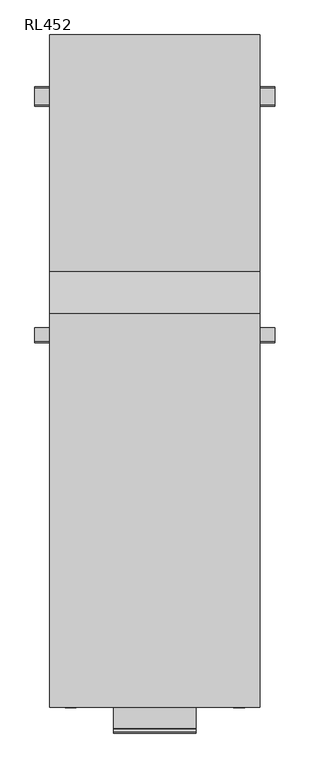
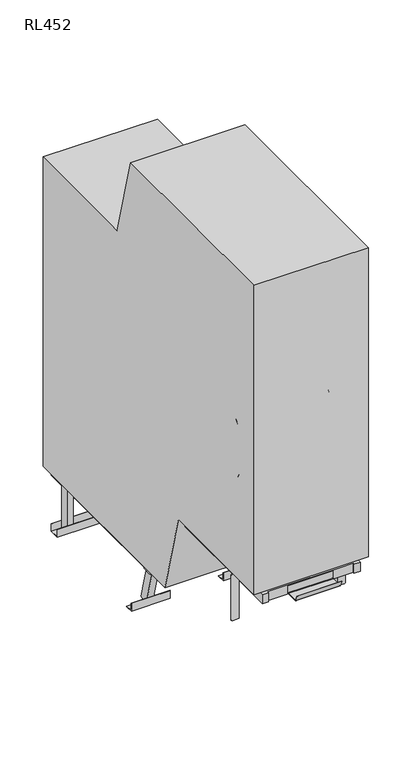
"""IFC4 building model written with IfcOpenShell, lengths in millimetres: proxy geometry, RL452."""

from ifc_helpers import new_model, si_unit, point, frame, frame_2d, origin, origin_with_axes, place, context, project, spatial, polyline, circle_curve, ellipse_curve, trimmed, segment, composite_curve, outline, extrude, source, transform, mapped, element, save
from ifc_brep_helpers import plane_surface, cylinder_surface, revolved_surface, advanced_brep


def rl452_90754e86(model_context):
    return source(origin(), model_context, "Body", "SolidModel", [
        extrude(outline(composite_curve([segment(polyline([(-507.6736901, 535.2345277), (-551.1403522, 523.5876706), (-555.540276, 540.0084097)]), True, "CONTINUOUS"), segment(trimmed(circle_curve(frame_2d((-530.4497633, 533.3026657)), 25.9711538), [point((-555.540276, 540.0084097))], [point((-512.0736138, 551.6552667))], False, "CARTESIAN"), True, "CONTINUOUS"), segment(polyline([(-512.0736138, 551.6552667), (-507.6736901, 535.2345277)]), True, "CONTINUOUS")], self_intersect=False)), frame((-262.5, 0.0, 0.0), z_axis=(1.0, 0.0, 0.0), x_axis=(0.0, 1.0, 0.0)), (0.0, 0.0, 1.0), 525.0),
        extrude(outline(composite_curve([segment(polyline([(-579.6478244, 803.8456537), (-623.1144866, 792.1987967), (-627.5144103, 808.6195357)]), True, "CONTINUOUS"), segment(trimmed(circle_curve(frame_2d((-602.4238976, 801.9137918)), 25.9711538), [point((-627.5144103, 808.6195357))], [point((-584.0477481, 820.2663928))], False, "CARTESIAN"), True, "CONTINUOUS"), segment(polyline([(-584.0477481, 820.2663928), (-579.6478244, 803.8456537)]), True, "CONTINUOUS")], self_intersect=False)), frame((-262.5, 0.0, 0.0), z_axis=(1.0, 0.0, 0.0), x_axis=(0.0, 1.0, 0.0)), (0.0, 0.0, 1.0), 525.0),
        extrude(outline(composite_curve([segment(polyline([(-435.6995558, 266.6234016), (-479.1662179, 254.9765446), (-483.5661417, 271.3972836)]), True, "CONTINUOUS"), segment(trimmed(circle_curve(frame_2d((-458.475629, 264.6915396)), 25.9711538), [point((-483.5661417, 271.3972836))], [point((-440.0994795, 283.0441407))], False, "CARTESIAN"), True, "CONTINUOUS"), segment(polyline([(-440.0994795, 283.0441407), (-435.6995558, 266.6234016)]), True, "CONTINUOUS")], self_intersect=False)), frame((-262.5, 0.0, 0.0), z_axis=(1.0, 0.0, 0.0), x_axis=(0.0, 1.0, 0.0)), (0.0, 0.0, 1.0), 525.0),
        extrude(outline(polyline([(-38.0, 0.0), (-38.0, 58.0), (0.0, 58.0), (0.0, 0.0), (-38.0, 0.0)])), frame((262.5, -362.3549036, 18.0115046), z_axis=(0.0, -0.2588190451025055, 0.9659258262890724), x_axis=(-1.0, 0.0, 0.0)), (0.0, 0.0, 1.0), 1895.2970461),
        extrude(outline(polyline([(-38.0, 0.0), (-38.0, 58.0), (0.0, 58.0), (0.0, 0.0), (-38.0, 0.0)])), frame((-300.5, -362.3549036, 18.0115046), z_axis=(0.0, -0.2588190451025055, 0.9659258262890724), x_axis=(-1.0, 0.0, 0.0)), (0.0, 0.0, 1.0), 1895.2970461),
        extrude(outline(polyline([(300.0, -1601.1457268), (300.0, -1619.6457268), (-300.0, -1619.6457268), (-300.0, -1601.1457268), (300.0, -1601.1457268)])), frame((0.0, 0.0, 808.5), z_axis=(0.0, 0.0, 1.0), x_axis=(1.0, 0.0, 0.0)), (0.0, 0.0, 1.0), 18.5),
        advanced_brep(
        [(281.5, -902.5038846, 1827.0), (281.5, -902.5038846, 1789.0), (281.5, -778.7113577, 1327.0), (281.5, -778.7113577, 1365.0), (281.5, -1287.6504133, 1789.0), (281.5, -1287.6504133, 1827.0), (281.5, -1431.6504133, 1683.0), (281.5, -1393.6504133, 1683.0), (281.5, -1393.6504133, 1471.0), (281.5, -1431.6504133, 1471.0), (281.5, -1287.6504133, 1327.0), (281.5, -1287.6504133, 1365.0)],
        [
            (0, 1, circle_curve(frame((281.5, -902.5038846, 1808.0), z_axis=(0.0, 1.0, 0.0), x_axis=(0.0, 0.0, -1.0)), 19.0)),
            (1, 0, circle_curve(frame((281.5, -902.5038846, 1808.0), z_axis=(0.0, 1.0, 0.0), x_axis=(0.0, 0.0, -1.0)), 19.0)),
            (2, 3, circle_curve(frame((281.5, -778.7113577, 1346.0), z_axis=(0.0, 1.0, 0.0), x_axis=(0.0, 0.0, 1.0)), 19.0)),
            (3, 2, circle_curve(frame((281.5, -778.7113577, 1346.0), z_axis=(0.0, 1.0, 0.0), x_axis=(0.0, 0.0, 1.0)), 19.0)),
            (1, 4),
            (4, 5, circle_curve(frame((281.5, -1287.6504133, 1808.0), z_axis=(0.0, 1.0, 0.0), x_axis=(0.0, 0.0, -1.0)), 19.0)),
            (5, 0),
            (5, 4, circle_curve(frame((281.5, -1287.6504133, 1808.0), z_axis=(0.0, 1.0, 0.0), x_axis=(0.0, 0.0, -1.0)), 19.0)),
            (6, 5, circle_curve(frame((281.5, -1287.6504133, 1683.0), z_axis=(-1.0, 0.0, 0.0), x_axis=(0.0, 0.0, 1.0)), 144.0)),
            (4, 7, circle_curve(frame((281.5, -1287.6504133, 1683.0), z_axis=(1.0, 0.0, 0.0), x_axis=(0.0, 0.0, 1.0)), 106.0)),
            (7, 6, circle_curve(frame((281.5, -1412.6504133, 1683.0), z_axis=(0.0, 0.0, 1.0), x_axis=(0.0, 1.0, 0.0)), 19.0)),
            (6, 7, circle_curve(frame((281.5, -1412.6504133, 1683.0), z_axis=(0.0, 0.0, 1.0), x_axis=(0.0, 1.0, 0.0)), 19.0)),
            (7, 8),
            (8, 9, circle_curve(frame((281.5, -1412.6504133, 1471.0), z_axis=(0.0, 0.0, 1.0), x_axis=(0.0, 1.0, 0.0)), 19.0)),
            (9, 6),
            (9, 8, circle_curve(frame((281.5, -1412.6504133, 1471.0), z_axis=(0.0, 0.0, 1.0), x_axis=(0.0, 1.0, 0.0)), 19.0)),
            (10, 9, circle_curve(frame((281.5, -1287.6504133, 1471.0), z_axis=(-1.0, 0.0, 0.0), x_axis=(0.0, -1.0, 0.0)), 144.0)),
            (8, 11, circle_curve(frame((281.5, -1287.6504133, 1471.0), z_axis=(1.0, 0.0, 0.0), x_axis=(0.0, -1.0, 0.0)), 106.0)),
            (11, 10, circle_curve(frame((281.5, -1287.6504133, 1346.0), z_axis=(0.0, -1.0, 0.0), x_axis=(0.0, 0.0, 1.0)), 19.0)),
            (10, 11, circle_curve(frame((281.5, -1287.6504133, 1346.0), z_axis=(0.0, -1.0, 0.0), x_axis=(0.0, 0.0, 1.0)), 19.0)),
            (11, 3),
            (2, 10),
        ],
        [
            plane_surface(frame((281.5, -902.5038846, 1808.0), z_axis=(0.0, 1.0, 0.0), x_axis=(1.0, 0.0, 0.0))),
            plane_surface(frame((281.5, -778.7113577, 1346.0), z_axis=(0.0, 1.0, 0.0), x_axis=(1.0, 0.0, 0.0))),
            cylinder_surface(frame((281.5, -902.5038846, 1808.0), z_axis=(0.0, 1.0, 0.0), x_axis=(0.0, 0.0, -1.0)), 19.0),
            revolved_surface(trimmed(ellipse_curve(frame((281.5, -1287.6504133, 1808.0), z_axis=(0.0, 1.0, 0.0), x_axis=(0.0, 0.0, -1.0)), 19.0, 19.0), [point((281.5, -1287.6504133, 1789.0))], [point((281.5, -1287.6504133, 1827.0))], True, "CARTESIAN"), (281.5, -1287.6504133, 1683.0), (1.0, 0.0, 0.0)),
            revolved_surface(trimmed(ellipse_curve(frame((281.5, -1287.6504133, 1808.0), z_axis=(0.0, 1.0, 0.0), x_axis=(0.0, 0.0, -1.0)), 19.0, 19.0), [point((281.5, -1287.6504133, 1827.0))], [point((281.5, -1287.6504133, 1789.0))], True, "CARTESIAN"), (281.5, -1287.6504133, 1683.0), (1.0, 0.0, 0.0)),
            cylinder_surface(frame((281.5, -1412.6504133, 1683.0), z_axis=(0.0, 0.0, 1.0), x_axis=(0.0, 1.0, 0.0)), 19.0),
            revolved_surface(trimmed(ellipse_curve(frame((281.5, -1412.6504133, 1471.0), z_axis=(0.0, 0.0, 1.0), x_axis=(0.0, 1.0, 0.0)), 19.0, 19.0), [point((281.5, -1393.6504133, 1471.0))], [point((281.5, -1431.6504133, 1471.0))], True, "CARTESIAN"), (281.5, -1287.6504133, 1471.0), (1.0, 0.0, 0.0)),
            revolved_surface(trimmed(ellipse_curve(frame((281.5, -1412.6504133, 1471.0), z_axis=(0.0, 0.0, 1.0), x_axis=(0.0, 1.0, 0.0)), 19.0, 19.0), [point((281.5, -1431.6504133, 1471.0))], [point((281.5, -1393.6504133, 1471.0))], True, "CARTESIAN"), (281.5, -1287.6504133, 1471.0), (1.0, 0.0, 0.0)),
            cylinder_surface(frame((281.5, -1287.6504133, 1346.0), z_axis=(0.0, -1.0, 0.0), x_axis=(0.0, 0.0, 1.0)), 19.0),
        ],
        [
            (0, [[1, 2]]),
            (1, [[3, 4]]),
            (2, [[-2, 5, 6, 7]]),
            (2, [[-1, -7, 8, -5]]),
            (3, [[9, -6, 10, 11]]),
            (4, [[-10, -8, -9, 12]]),
            (5, [[-11, 13, 14, 15]]),
            (5, [[-12, -15, 16, -13]]),
            (6, [[17, -14, 18, 19]]),
            (7, [[-18, -16, -17, 20]]),
            (8, [[-19, 21, -3, 22]]),
            (8, [[-20, -22, -4, -21]]),
        ],
    ),
        advanced_brep(
        [(-281.5, -902.0268938, 1789.0), (-281.5, -902.0268938, 1827.0), (-281.5, -1287.6504133, 1827.0), (-281.5, -1287.6504133, 1789.0), (-281.5, -1393.6504133, 1683.0), (-281.5, -1431.6504133, 1683.0), (-281.5, -1431.6504133, 1471.0), (-281.5, -1393.6504133, 1471.0), (-281.5, -1287.6504133, 1365.0), (-281.5, -1287.6504133, 1327.0), (-281.5, -778.2343669, 1365.0), (-281.5, -778.2343669, 1327.0)],
        [
            (0, 1, circle_curve(frame((-281.5, -902.0268938, 1808.0), z_axis=(0.0, 1.0, 0.0), x_axis=(0.0, 0.0, 1.0)), 19.0)),
            (1, 0, circle_curve(frame((-281.5, -902.0268938, 1808.0), z_axis=(0.0, 1.0, 0.0), x_axis=(0.0, 0.0, 1.0)), 19.0)),
            (1, 2),
            (2, 3, circle_curve(frame((-281.5, -1287.6504133, 1808.0), z_axis=(0.0, 1.0, 0.0), x_axis=(0.0, 0.0, 1.0)), 19.0)),
            (3, 0),
            (3, 2, circle_curve(frame((-281.5, -1287.6504133, 1808.0), z_axis=(0.0, 1.0, 0.0), x_axis=(0.0, 0.0, 1.0)), 19.0)),
            (4, 3, circle_curve(frame((-281.5, -1287.6504133, 1683.0), z_axis=(-1.0, 0.0, 0.0), x_axis=(0.0, 0.0, 1.0)), 106.0)),
            (2, 5, circle_curve(frame((-281.5, -1287.6504133, 1683.0), z_axis=(1.0, 0.0, 0.0), x_axis=(0.0, 0.0, 1.0)), 144.0)),
            (5, 4, circle_curve(frame((-281.5, -1412.6504133, 1683.0), z_axis=(0.0, 0.0, 1.0), x_axis=(0.0, -1.0, 0.0)), 19.0)),
            (4, 5, circle_curve(frame((-281.5, -1412.6504133, 1683.0), z_axis=(0.0, 0.0, 1.0), x_axis=(0.0, -1.0, 0.0)), 19.0)),
            (5, 6),
            (6, 7, circle_curve(frame((-281.5, -1412.6504133, 1471.0), z_axis=(0.0, 0.0, 1.0), x_axis=(0.0, -1.0, 0.0)), 19.0)),
            (7, 4),
            (7, 6, circle_curve(frame((-281.5, -1412.6504133, 1471.0), z_axis=(0.0, 0.0, 1.0), x_axis=(0.0, -1.0, 0.0)), 19.0)),
            (8, 7, circle_curve(frame((-281.5, -1287.6504133, 1471.0), z_axis=(-1.0, 0.0, 0.0), x_axis=(0.0, -1.0, 0.0)), 106.0)),
            (6, 9, circle_curve(frame((-281.5, -1287.6504133, 1471.0), z_axis=(1.0, 0.0, 0.0), x_axis=(0.0, -1.0, 0.0)), 144.0)),
            (9, 8, circle_curve(frame((-281.5, -1287.6504133, 1346.0), z_axis=(0.0, -1.0, 0.0), x_axis=(0.0, 0.0, -1.0)), 19.0)),
            (8, 9, circle_curve(frame((-281.5, -1287.6504133, 1346.0), z_axis=(0.0, -1.0, 0.0), x_axis=(0.0, 0.0, -1.0)), 19.0)),
            (10, 11, circle_curve(frame((-281.5, -778.2343669, 1346.0), z_axis=(0.0, 1.0, 0.0), x_axis=(0.0, 0.0, -1.0)), 19.0)),
            (11, 10, circle_curve(frame((-281.5, -778.2343669, 1346.0), z_axis=(0.0, 1.0, 0.0), x_axis=(0.0, 0.0, -1.0)), 19.0)),
            (9, 11),
            (10, 8),
        ],
        [
            plane_surface(frame((-281.5, -902.0268938, 1808.0), z_axis=(0.0, 1.0, 0.0), x_axis=(-1.0, 0.0, 0.0))),
            cylinder_surface(frame((-281.5, -902.0268938, 1808.0), z_axis=(0.0, 1.0, 0.0), x_axis=(0.0, 0.0, 1.0)), 19.0),
            revolved_surface(trimmed(ellipse_curve(frame((-281.5, -1287.6504133, 1808.0), z_axis=(0.0, 1.0, 0.0), x_axis=(0.0, 0.0, 1.0)), 19.0, 19.0), [point((-281.5, -1287.6504133, 1827.0))], [point((-281.5, -1287.6504133, 1789.0))], True, "CARTESIAN"), (-281.5, -1287.6504133, 1683.0), (1.0, 0.0, 0.0)),
            revolved_surface(trimmed(ellipse_curve(frame((-281.5, -1287.6504133, 1808.0), z_axis=(0.0, 1.0, 0.0), x_axis=(0.0, 0.0, 1.0)), 19.0, 19.0), [point((-281.5, -1287.6504133, 1789.0))], [point((-281.5, -1287.6504133, 1827.0))], True, "CARTESIAN"), (-281.5, -1287.6504133, 1683.0), (1.0, 0.0, 0.0)),
            cylinder_surface(frame((-281.5, -1412.6504133, 1683.0), z_axis=(0.0, 0.0, 1.0), x_axis=(0.0, -1.0, 0.0)), 19.0),
            revolved_surface(trimmed(ellipse_curve(frame((-281.5, -1412.6504133, 1471.0), z_axis=(0.0, 0.0, 1.0), x_axis=(0.0, -1.0, 0.0)), 19.0, 19.0), [point((-281.5, -1431.6504133, 1471.0))], [point((-281.5, -1393.6504133, 1471.0))], True, "CARTESIAN"), (-281.5, -1287.6504133, 1471.0), (1.0, 0.0, 0.0)),
            revolved_surface(trimmed(ellipse_curve(frame((-281.5, -1412.6504133, 1471.0), z_axis=(0.0, 0.0, 1.0), x_axis=(0.0, -1.0, 0.0)), 19.0, 19.0), [point((-281.5, -1393.6504133, 1471.0))], [point((-281.5, -1431.6504133, 1471.0))], True, "CARTESIAN"), (-281.5, -1287.6504133, 1471.0), (1.0, 0.0, 0.0)),
            plane_surface(frame((-281.5, -778.2343669, 1346.0), z_axis=(0.0, 1.0, 0.0), x_axis=(-1.0, 0.0, 0.0))),
            cylinder_surface(frame((-281.5, -1287.6504133, 1346.0), z_axis=(0.0, -1.0, 0.0), x_axis=(0.0, 0.0, -1.0)), 19.0),
        ],
        [
            (0, [[1, 2]]),
            (1, [[-2, 3, 4, 5]]),
            (1, [[-1, -5, 6, -3]]),
            (2, [[7, -4, 8, 9]]),
            (3, [[-8, -6, -7, 10]]),
            (4, [[-9, 11, 12, 13]]),
            (4, [[-10, -13, 14, -11]]),
            (5, [[15, -12, 16, 17]]),
            (6, [[-16, -14, -15, 18]]),
            (7, [[19, 20]]),
            (8, [[-17, 21, -19, 22]]),
            (8, [[-18, -22, -20, -21]]),
        ],
    ),
        extrude(outline(polyline([(414.8542732, 50.0), (417.8542732, 50.0), (417.8542732, 0.0), (352.8542732, 0.0), (352.8542732, 50.0), (355.8542732, 50.0), (355.8542732, 3.0), (414.8542732, 3.0), (414.8542732, 50.0)])), frame((-400.5, 0.0, 0.0), z_axis=(1.0, 0.0, 0.0), x_axis=(0.0, 1.0, 0.0)), (0.0, 0.0, 1.0), 801.0),
        extrude(outline(polyline([(-383.9722135, 3.0), (-383.9722135, 0.0), (-433.9722135, 0.0), (-433.9722135, 50.0), (-430.9722135, 50.0), (-430.9722135, 3.0), (-383.9722135, 3.0)])), frame((162.5, 0.0, 0.0), z_axis=(1.0, 0.0, 0.0), x_axis=(0.0, 1.0, 0.0)), (0.0, 0.0, 1.0), 238.0),
        extrude(outline(polyline([(-383.9722135, 3.0), (-383.9722135, 0.0), (-433.9722135, 0.0), (-433.9722135, 50.0), (-430.9722135, 50.0), (-430.9722135, 3.0), (-383.9722135, 3.0)])), frame((-400.5, 0.0, 0.0), z_axis=(1.0, 0.0, 0.0), x_axis=(0.0, 1.0, 0.0)), (0.0, 0.0, 1.0), 238.0),
        extrude(outline(polyline([(-262.0, -639.6457268), (-262.0, -1601.6457268), (262.0, -1601.6457268), (262.0, -639.6457268), (300.0, -639.6457268), (300.0, -1649.6457268), (262.0, -1649.6457268), (262.0, -1639.6457268), (-262.0, -1639.6457268), (-262.0, -1649.6457268), (-300.0, -1649.6457268), (-300.0, -639.6457268), (-262.0, -639.6457268)])), frame((0.0, 0.0, 751.2375855), z_axis=(0.0, 0.0, 1.0), x_axis=(1.0, 0.0, 0.0)), (0.0, 0.0, 1.0), 57.2624145),
        extrude(outline(polyline([(300.0, -719.6457268), (300.0, -1601.1457268), (-300.0, -1601.1457268), (-300.0, -719.6457268), (300.0, -719.6457268)])), frame((0.0, 0.0, 808.5), z_axis=(0.0, 0.0, 1.0), x_axis=(1.0, 0.0, 0.0)), (0.0, 0.0, 1.0), 18.5),
        extrude(outline(polyline([(250.0, -496.6457268), (250.0, -514.6457268), (-250.0, -514.6457268), (-250.0, -496.6457268), (250.0, -496.6457268)])), frame((0.0, 0.0, 281.5), z_axis=(0.0, 0.0, 1.0), x_axis=(1.0, 0.0, 0.0)), (0.0, 0.0, 1.0), 18.5),
        extrude(outline(polyline([(300.5, -305.3957268), (300.5, -323.8957268), (-300.5, -323.8957268), (-300.5, -305.3957268), (300.5, -305.3957268)])), frame((0.0, 0.0, 281.5), z_axis=(0.0, 0.0, 1.0), x_axis=(1.0, 0.0, 0.0)), (0.0, 0.0, 1.0), 18.5),
        extrude(outline(polyline([(250.0, -323.8957268), (250.0, -496.6457268), (-250.0, -496.6457268), (-250.0, -323.8957268), (250.0, -323.8957268)])), frame((0.0, 0.0, 281.5), z_axis=(0.0, 0.0, 1.0), x_axis=(1.0, 0.0, 0.0)), (0.0, 0.0, 1.0), 18.5),
        extrude(outline(polyline([(-262.5, -414.6457268), (-300.5, -414.6457268), (-300.5, 590.3542732), (-262.5, 590.3542732), (-262.5, -414.6457268)])), frame((0.0, 0.0, 223.5), z_axis=(0.0, 0.0, 1.0), x_axis=(1.0, 0.0, 0.0)), (0.0, 0.0, 1.0), 58.0),
        extrude(outline(polyline([(300.5, -414.6457268), (262.5, -414.6457268), (262.5, 590.3542732), (300.5, 590.3542732), (300.5, -414.6457268)])), frame((0.0, 0.0, 223.5), z_axis=(0.0, 0.0, 1.0), x_axis=(1.0, 0.0, 0.0)), (0.0, 0.0, 1.0), 58.0),
        extrude(outline(polyline([(338.5, 414.3542732), (338.5, 356.3542732), (300.5, 356.3542732), (300.5, 414.3542732), (338.5, 414.3542732)])), origin_with_axes(), (0.0, 0.0, 1.0), 293.0),
        extrude(outline(polyline([(-300.5, 414.3542732), (-300.5, 356.3542732), (-338.5, 356.3542732), (-338.5, 414.3542732), (-300.5, 414.3542732)])), origin_with_axes(), (0.0, 0.0, 1.0), 293.0),
        extrude(outline(polyline([(300.5, 590.3542732), (300.5, 571.8542732), (-300.5, 571.8542732), (-300.5, 590.3542732), (300.5, 590.3542732)])), frame((0.0, 0.0, 281.5), z_axis=(0.0, 0.0, 1.0), x_axis=(1.0, 0.0, 0.0)), (0.0, 0.0, 1.0), 18.5),
        extrude(outline(polyline([(300.5, 571.8542732), (300.5, -305.3957268), (-300.5, -305.3957268), (-300.5, 571.8542732), (300.5, 571.8542732)])), frame((0.0, 0.0, 281.5), z_axis=(0.0, 0.0, 1.0), x_axis=(1.0, 0.0, 0.0)), (0.0, 0.0, 1.0), 18.5),
        extrude(outline(composite_curve([segment(trimmed(circle_curve(frame_2d((-412.4420074, 233.5)), 6.0), [point((-406.4420074, 233.5))], [point((-412.4420074, 227.5))], False, "CARTESIAN"), True, "CONTINUOUS"), segment(polyline([(-412.4420074, 227.5), (-461.4955973, 227.5)]), True, "CONTINUOUS"), segment(trimmed(circle_curve(frame_2d((-461.4955973, 252.5)), 25.0), [point((-461.4955973, 227.5))], [point((-461.4955973, 277.5))], False, "CARTESIAN"), True, "CONTINUOUS"), segment(polyline([(-461.4955973, 277.5), (-412.4420074, 277.5)]), True, "CONTINUOUS"), segment(trimmed(circle_curve(frame_2d((-412.4420074, 271.5)), 6.0), [point((-412.4420074, 277.5))], [point((-406.4420074, 271.5))], False, "CARTESIAN"), True, "CONTINUOUS"), segment(polyline([(-406.4420074, 271.5), (-406.4420074, 233.5)]), True, "CONTINUOUS")], self_intersect=False)), frame((-306.5, 0.0, 0.0), z_axis=(1.0, 0.0, 0.0), x_axis=(0.0, 1.0, 0.0)), (0.0, 0.0, 1.0), 6.0),
        extrude(outline(composite_curve([segment(trimmed(circle_curve(frame_2d((-412.4420074, 233.5)), 6.0), [point((-406.4420074, 233.5))], [point((-412.4420074, 227.5))], False, "CARTESIAN"), True, "CONTINUOUS"), segment(polyline([(-412.4420074, 227.5), (-461.4955973, 227.5)]), True, "CONTINUOUS"), segment(trimmed(circle_curve(frame_2d((-461.4955973, 252.5)), 25.0), [point((-461.4955973, 227.5))], [point((-461.4955973, 277.5))], False, "CARTESIAN"), True, "CONTINUOUS"), segment(polyline([(-461.4955973, 277.5), (-412.4420074, 277.5)]), True, "CONTINUOUS"), segment(trimmed(circle_curve(frame_2d((-412.4420074, 271.5)), 6.0), [point((-412.4420074, 277.5))], [point((-406.4420074, 271.5))], False, "CARTESIAN"), True, "CONTINUOUS"), segment(polyline([(-406.4420074, 271.5), (-406.4420074, 233.5)]), True, "CONTINUOUS")], self_intersect=False)), frame((300.5, 0.0, 0.0), z_axis=(1.0, 0.0, 0.0), x_axis=(0.0, 1.0, 0.0)), (0.0, 0.0, 1.0), 6.0),
        extrude(outline(polyline([(262.5, -266.6457268), (262.5, -324.6457268), (-262.5, -324.6457268), (-262.5, -266.6457268), (262.5, -266.6457268)])), frame((0.0, 0.0, 243.5), z_axis=(0.0, 0.0, 1.0), x_axis=(1.0, 0.0, 0.0)), (0.0, 0.0, 1.0), 38.0),
        extrude(outline(polyline([(262.5, 157.3542732), (262.5, 99.3542732), (-262.5, 99.3542732), (-262.5, 157.3542732), (262.5, 157.3542732)])), frame((0.0, 0.0, 243.5), z_axis=(0.0, 0.0, 1.0), x_axis=(1.0, 0.0, 0.0)), (0.0, 0.0, 1.0), 38.0),
        extrude(outline(polyline([(262.5, 580.3542732), (262.5, 522.3542732), (-262.5, 522.3542732), (-262.5, 580.3542732), (262.5, 580.3542732)])), frame((0.0, 0.0, 243.5), z_axis=(0.0, 0.0, 1.0), x_axis=(1.0, 0.0, 0.0)), (0.0, 0.0, 1.0), 38.0),
        extrude(outline(composite_curve([segment(polyline([(-1641.6457268, 758.1187928), (-1641.6457268, 805.6187928), (-1639.6457268, 805.6187928), (-1639.6457268, 758.1187928)]), True, "CONTINUOUS"), segment(trimmed(circle_curve(frame_2d((-1643.6457268, 758.1187928)), 4.0), [point((-1639.6457268, 758.1187928))], [point((-1643.6457268, 754.1187928))], False, "CARTESIAN"), True, "CONTINUOUS"), segment(polyline([(-1643.6457268, 754.1187928), (-1717.8904748, 754.1187928)]), True, "CONTINUOUS"), segment(trimmed(circle_curve(frame_2d((-1717.8904748, 758.1187928)), 4.0), [point((-1717.8904748, 754.1187928))], [point((-1721.6492453, 756.7507122))], False, "CARTESIAN"), True, "CONTINUOUS"), segment(polyline([(-1721.6492453, 756.7507122), (-1734.6457268, 792.4582517), (-1732.7663416, 793.142292), (-1719.7698601, 757.4347525)]), True, "CONTINUOUS"), segment(trimmed(circle_curve(frame_2d((-1717.8904748, 758.1187928)), 2.0), [point((-1719.7698601, 757.4347525))], [point((-1717.8904748, 756.1187928))], True, "CARTESIAN"), True, "CONTINUOUS"), segment(polyline([(-1717.8904748, 756.1187928), (-1643.6457268, 756.1187928)]), True, "CONTINUOUS"), segment(trimmed(circle_curve(frame_2d((-1643.6457268, 758.1187928)), 2.0), [point((-1643.6457268, 756.1187928))], [point((-1641.6457268, 758.1187928))], True, "CARTESIAN"), True, "CONTINUOUS")], self_intersect=False)), frame((-137.5, 0.0, 0.0), z_axis=(1.0, 0.0, 0.0), x_axis=(0.0, 1.0, 0.0)), (0.0, 0.0, 1.0), 275.0),
        advanced_brep(
        [(340.5, -1401.6457268, 807.0), (350.5, -1401.6457268, 797.0), (350.5, -1401.6457268, 517.0), (340.5, -1401.6457268, 507.0), (303.5, -1401.6457268, 507.0), (303.5, -1401.6457268, 807.0), (300.5, -1404.6457268, 507.0), (340.5, -1404.6457268, 507.0), (350.5, -1404.6457268, 517.0), (350.5, -1404.6457268, 797.0), (340.5, -1404.6457268, 807.0), (300.5, -1404.6457268, 807.0), (303.5, -1364.6457268, 807.0), (300.5, -1364.6457268, 807.0), (300.5, -1354.6457268, 797.0), (300.5, -1354.6457268, 517.0), (300.5, -1364.6457268, 507.0), (303.5, -1364.6457268, 507.0), (303.5, -1354.6457268, 517.0), (303.5, -1354.6457268, 797.0)],
        [
            (0, 1, circle_curve(frame((340.5, -1401.6457268, 797.0), z_axis=(0.0, 1.0, 0.0), x_axis=(1.0, 0.0, 0.0)), 10.0)),
            (1, 2),
            (2, 3, circle_curve(frame((340.5, -1401.6457268, 517.0), z_axis=(0.0, 1.0, 0.0), x_axis=(1.0, 0.0, 0.0)), 10.0)),
            (3, 4),
            (4, 5),
            (5, 0),
            (6, 7),
            (7, 8, circle_curve(frame((340.5, -1404.6457268, 517.0), z_axis=(0.0, -1.0, 0.0), x_axis=(1.0, 0.0, 0.0)), 10.0)),
            (8, 9),
            (9, 10, circle_curve(frame((340.5, -1404.6457268, 797.0), z_axis=(0.0, -1.0, 0.0), x_axis=(1.0, 0.0, 0.0)), 10.0)),
            (10, 11),
            (11, 6),
            (2, 8),
            (7, 3),
            (1, 9),
            (0, 10),
            (5, 12),
            (12, 13),
            (13, 11),
            (13, 14, circle_curve(frame((300.5, -1364.6457268, 797.0), z_axis=(-1.0, 0.0, 0.0), x_axis=(0.0, 1.0, 0.0)), 10.0)),
            (14, 15),
            (15, 16, circle_curve(frame((300.5, -1364.6457268, 517.0), z_axis=(-1.0, 0.0, 0.0), x_axis=(0.0, 1.0, 0.0)), 10.0)),
            (16, 6),
            (16, 17),
            (17, 4),
            (17, 18, circle_curve(frame((303.5, -1364.6457268, 517.0), z_axis=(1.0, 0.0, 0.0), x_axis=(0.0, 1.0, 0.0)), 10.0)),
            (18, 19),
            (19, 12, circle_curve(frame((303.5, -1364.6457268, 797.0), z_axis=(1.0, 0.0, 0.0), x_axis=(0.0, 1.0, 0.0)), 10.0)),
            (15, 18),
            (14, 19),
        ],
        [
            plane_surface(frame((300.5, -1401.6457268, 507.0), z_axis=(0.0, 1.0, 0.0), x_axis=(-1.0, 0.0, 0.0))),
            plane_surface(frame((300.5, -1404.6457268, 507.0), z_axis=(0.0, -1.0, 0.0), x_axis=(1.0, 0.0, 0.0))),
            cylinder_surface(frame((340.5, -1404.6457268, 517.0), z_axis=(0.0, 1.0, 0.0), x_axis=(1.0, 0.0, 0.0)), 10.0),
            plane_surface(frame((350.5, -1401.6457268, 797.0), z_axis=(1.0, 0.0, 0.0), x_axis=(0.0, -1.0, 0.0))),
            cylinder_surface(frame((340.5, -1404.6457268, 797.0), z_axis=(0.0, 1.0, 0.0), x_axis=(1.0, 0.0, 0.0)), 10.0),
            plane_surface(frame((300.5, -1401.6457268, 807.0), z_axis=(0.0, 0.0, 1.0), x_axis=(0.0, -1.0, 0.0))),
            plane_surface(frame((300.5, -1401.6457268, 507.0), z_axis=(-1.0, 0.0, 0.0), x_axis=(0.0, -1.0, 0.0))),
            plane_surface(frame((340.5, -1401.6457268, 507.0), z_axis=(0.0, 0.0, -1.0), x_axis=(0.0, -1.0, 0.0))),
            plane_surface(frame((303.5, -1404.6457268, 507.0), z_axis=(1.0, 0.0, 0.0), x_axis=(0.0, 1.0, 0.0))),
            cylinder_surface(frame((303.5, -1364.6457268, 517.0), z_axis=(-1.0, 0.0, 0.0), x_axis=(0.0, 1.0, 0.0)), 10.0),
            plane_surface(frame((300.5, -1354.6457268, 797.0), z_axis=(0.0, 1.0, 0.0), x_axis=(1.0, 0.0, 0.0))),
            cylinder_surface(frame((303.5, -1364.6457268, 797.0), z_axis=(-1.0, 0.0, 0.0), x_axis=(0.0, 1.0, 0.0)), 10.0),
        ],
        [
            (0, [[1, 2, 3, 4, 5, 6]]),
            (1, [[7, 8, 9, 10, 11, 12]]),
            (2, [[-3, 13, -8, 14]]),
            (3, [[-2, 15, -9, -13]]),
            (4, [[-1, 16, -10, -15]]),
            (5, [[-16, -6, 17, 18, 19, -11]]),
            (6, [[-12, -19, 20, 21, 22, 23]]),
            (7, [[-14, -7, -23, 24, 25, -4]]),
            (8, [[26, 27, 28, -17, -5, -25]]),
            (9, [[-26, -24, -22, 29]]),
            (10, [[-27, -29, -21, 30]]),
            (11, [[-28, -30, -20, -18]]),
        ],
    ),
        advanced_brep(
        [(-340.5, -1401.6457268, 507.0), (-350.5, -1401.6457268, 517.0), (-350.5, -1401.6457268, 797.0), (-340.5, -1401.6457268, 807.0), (-303.5, -1401.6457268, 807.0), (-303.5, -1401.6457268, 507.0), (-340.5, -1404.6457268, 507.0), (-300.5, -1404.6457268, 507.0), (-300.5, -1404.6457268, 807.0), (-340.5, -1404.6457268, 807.0), (-350.5, -1404.6457268, 797.0), (-350.5, -1404.6457268, 517.0), (-300.5, -1364.6457268, 807.0), (-303.5, -1364.6457268, 807.0), (-300.5, -1364.6457268, 507.0), (-300.5, -1354.6457268, 517.0), (-300.5, -1354.6457268, 797.0), (-303.5, -1364.6457268, 507.0), (-303.5, -1354.6457268, 797.0), (-303.5, -1354.6457268, 517.0)],
        [
            (0, 1, circle_curve(frame((-340.5, -1401.6457268, 517.0), z_axis=(0.0, 1.0, 0.0), x_axis=(-1.0, 0.0, 0.0)), 10.0)),
            (1, 2),
            (2, 3, circle_curve(frame((-340.5, -1401.6457268, 797.0), z_axis=(0.0, 1.0, 0.0), x_axis=(-1.0, 0.0, 0.0)), 10.0)),
            (3, 4),
            (4, 5),
            (5, 0),
            (6, 7),
            (7, 8),
            (8, 9),
            (9, 10, circle_curve(frame((-340.5, -1404.6457268, 797.0), z_axis=(0.0, -1.0, 0.0), x_axis=(-1.0, 0.0, 0.0)), 10.0)),
            (10, 11),
            (11, 6, circle_curve(frame((-340.5, -1404.6457268, 517.0), z_axis=(0.0, -1.0, 0.0), x_axis=(-1.0, 0.0, 0.0)), 10.0)),
            (0, 6),
            (11, 1),
            (10, 2),
            (9, 3),
            (8, 12),
            (12, 13),
            (13, 4),
            (7, 14),
            (14, 15, circle_curve(frame((-300.5, -1364.6457268, 517.0), z_axis=(1.0, 0.0, 0.0), x_axis=(0.0, 1.0, 0.0)), 10.0)),
            (15, 16),
            (16, 12, circle_curve(frame((-300.5, -1364.6457268, 797.0), z_axis=(1.0, 0.0, 0.0), x_axis=(0.0, 1.0, 0.0)), 10.0)),
            (5, 17),
            (17, 14),
            (13, 18, circle_curve(frame((-303.5, -1364.6457268, 797.0), z_axis=(-1.0, 0.0, 0.0), x_axis=(0.0, 1.0, 0.0)), 10.0)),
            (18, 19),
            (19, 17, circle_curve(frame((-303.5, -1364.6457268, 517.0), z_axis=(-1.0, 0.0, 0.0), x_axis=(0.0, 1.0, 0.0)), 10.0)),
            (19, 15),
            (18, 16),
        ],
        [
            plane_surface(frame((-350.5, -1401.6457268, 517.0), z_axis=(0.0, 1.0, 0.0), x_axis=(0.0, 0.0, 1.0))),
            plane_surface(frame((-350.5, -1404.6457268, 517.0), z_axis=(0.0, -1.0, 0.0), x_axis=(0.0, 0.0, -1.0))),
            cylinder_surface(frame((-340.5, -1404.6457268, 517.0), z_axis=(0.0, 1.0, 0.0), x_axis=(-1.0, 0.0, 0.0)), 10.0),
            plane_surface(frame((-350.5, -1401.6457268, 517.0), z_axis=(-1.0, 0.0, 0.0), x_axis=(0.0, -1.0, 0.0))),
            cylinder_surface(frame((-340.5, -1404.6457268, 797.0), z_axis=(0.0, 1.0, 0.0), x_axis=(-1.0, 0.0, 0.0)), 10.0),
            plane_surface(frame((-340.5, -1401.6457268, 807.0), z_axis=(0.0, 0.0, 1.0), x_axis=(0.0, -1.0, 0.0))),
            plane_surface(frame((-300.5, -1401.6457268, 807.0), z_axis=(1.0, 0.0, 0.0), x_axis=(0.0, -1.0, 0.0))),
            plane_surface(frame((-300.5, -1401.6457268, 507.0), z_axis=(0.0, 0.0, -1.0), x_axis=(0.0, -1.0, 0.0))),
            plane_surface(frame((-303.5, -1354.6457268, 517.0), z_axis=(-1.0, 0.0, 0.0), x_axis=(0.0, 0.0, -1.0))),
            cylinder_surface(frame((-303.5, -1364.6457268, 517.0), z_axis=(1.0, 0.0, 0.0), x_axis=(0.0, 1.0, 0.0)), 10.0),
            plane_surface(frame((-300.5, -1354.6457268, 517.0), z_axis=(0.0, 1.0, 0.0), x_axis=(-1.0, 0.0, 0.0))),
            cylinder_surface(frame((-303.5, -1364.6457268, 797.0), z_axis=(1.0, 0.0, 0.0), x_axis=(0.0, 1.0, 0.0)), 10.0),
        ],
        [
            (0, [[1, 2, 3, 4, 5, 6]]),
            (1, [[7, 8, 9, 10, 11, 12]]),
            (2, [[-1, 13, -12, 14]]),
            (3, [[-2, -14, -11, 15]]),
            (4, [[-3, -15, -10, 16]]),
            (5, [[-16, -9, 17, 18, 19, -4]]),
            (6, [[-17, -8, 20, 21, 22, 23]]),
            (7, [[-13, -6, 24, 25, -20, -7]]),
            (8, [[26, 27, 28, -24, -5, -19]]),
            (9, [[-28, 29, -21, -25]]),
            (10, [[-27, 30, -22, -29]]),
            (11, [[-26, -18, -23, -30]]),
        ],
    ),
        extrude(outline(polyline([(262.0, -1159.6457268), (262.0, -1217.6457268), (-262.0, -1217.6457268), (-262.0, -1159.6457268), (262.0, -1159.6457268)])), frame((0.0, 0.0, 770.5), z_axis=(0.0, 0.0, 1.0), x_axis=(1.0, 0.0, 0.0)), (0.0, 0.0, 1.0), 38.0),
        extrude(outline(polyline([(262.0, -736.6457268), (262.0, -794.6457268), (-262.0, -794.6457268), (-262.0, -736.6457268), (262.0, -736.6457268)])), frame((0.0, 0.0, 770.5), z_axis=(0.0, 0.0, 1.0), x_axis=(1.0, 0.0, 0.0)), (0.0, 0.0, 1.0), 38.0),
        extrude(outline(polyline([(-1649.6457268, 827.0), (-1649.6457268, 2827.0), (-338.5639671, 2827.0), (-197.3547427, 2300.0), (590.3542732, 2300.0), (590.3542732, 300.0), (-705.0147477, 300.0), (-846.2239721, 827.0), (-1649.6457268, 827.0)])), frame((-350.5, 0.0, 0.0), z_axis=(1.0, 0.0, 0.0), x_axis=(0.0, 1.0, 0.0)), (0.0, 0.0, 1.0), 701.0),
    ])


if __name__ == "__main__":
    model = new_model("IFC4")
    model_context = context("Model", 3, world=origin())
    ifc_project = project(units=[si_unit("LENGTHUNIT", "METRE", prefix="MILLI")], contexts=[model_context])
    site = spatial("IfcSite", under=ifc_project)
    building = spatial("IfcBuilding", under=site)
    placement = place(None, origin())
    rl452_shape = rl452_90754e86(model_context)
    element("IfcBuildingElementProxy", 1, Name="RL452", ObjectType="RL452", at=placement, inside=building, context=model_context, shape_type="MappedRepresentation", body=[
        mapped(rl452_shape, transform((0.0, 0.0, 0.0), x_axis=(1.0, 0.0, 0.0), y_axis=(0.0, 1.0, 0.0), z_axis=(0.0, 0.0, 1.0))),
    ])
    save(model, "model.ifc")
